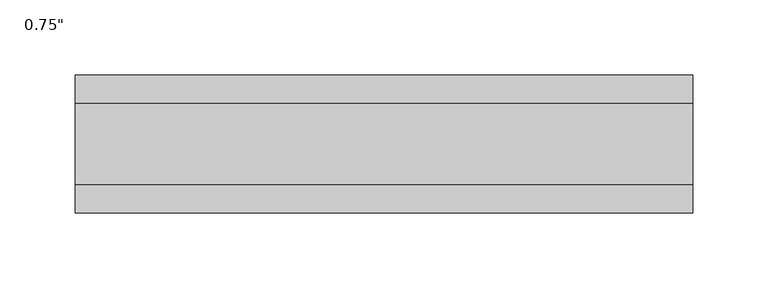
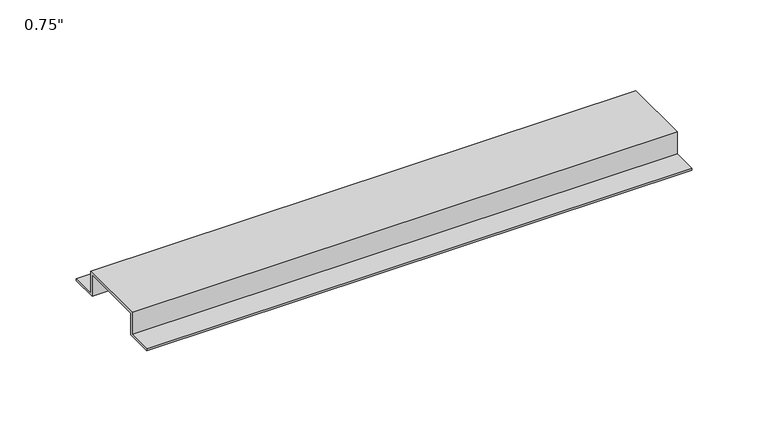
"""IFC4 building model written with IfcOpenShell, lengths in millimetres: proxy geometry."""

from ifc_helpers import new_model, si_unit, frame, origin, place, context, project, spatial, polyline, outline, extrude, source, transform, mapped, element, save


def proxy_45baa1ce(model_context):
    return source(origin(), model_context, "Body", "SweptSolid", [
        extrude(outline(polyline([(46.0559645, -17.4625), (25.4, -17.4625), (25.4, 0.0), (-25.4, 0.0), (-25.4, -17.4625), (-46.0559645, -17.4625), (-46.0559645, -15.8492), (-27.0129, -15.8492), (-27.0129, 1.6129), (27.0129, 1.6129), (27.0129, -15.8492), (46.0559645, -15.8492), (46.0559645, -17.4625)])), frame((0.0, 0.0, 0.0), z_axis=(1.0, 0.0, 0.0), x_axis=(0.0, 1.0, 0.0)), (0.0, 0.0, 1.0), 411.8237213),
    ])


if __name__ == "__main__":
    model = new_model("IFC4")
    model_context = context("Model", 3, world=origin())
    ifc_project = project(units=[si_unit("LENGTHUNIT", "METRE", prefix="MILLI")], contexts=[model_context])
    site = spatial("IfcSite", under=ifc_project)
    building = spatial("IfcBuilding", under=site)
    placement = place(None, origin())
    proxy_shape = proxy_45baa1ce(model_context)
    element("IfcBuildingElementProxy", 1, Name="0.75\"", ObjectType="0.75\"", at=placement, inside=building, context=model_context, shape_type="MappedRepresentation", body=[
        mapped(proxy_shape, transform((0.0, 0.0, 0.0), x_axis=(1.0, 0.0, 0.0), y_axis=(0.0, 1.0, 0.0), z_axis=(0.0, 0.0, 1.0))),
    ])
    save(model, "model.ifc")
